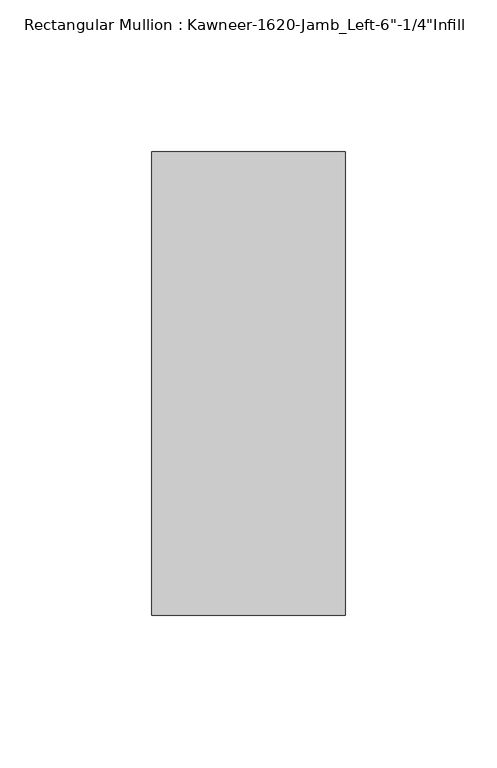
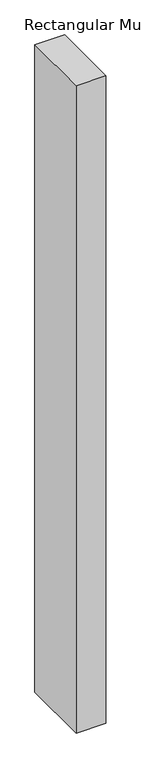
"""IFC4 building model written with IfcOpenShell, lengths in millimetres: member geometry."""

from ifc_helpers import new_model, si_unit, frame, origin, place, context, project, spatial, polyline, outline, extrude, source, transform, mapped, element, save


def member_8166af2d(model_context):
    return source(origin(), model_context, "Body", "SweptSolid", [
        extrude(outline(polyline([(-63.5, 28.575), (0.0, 28.575), (0.0, -123.825), (-63.5, -123.825), (-63.5, 28.575)])), frame((0.0, 0.0, -1460.5), z_axis=(0.0, 0.0, 1.0), x_axis=(1.0, 0.0, 0.0)), (0.0, 0.0, 1.0), 1460.5),
    ])


if __name__ == "__main__":
    model = new_model("IFC4")
    model_context = context("Model", 3, world=origin())
    ifc_project = project(units=[si_unit("LENGTHUNIT", "METRE", prefix="MILLI")], contexts=[model_context])
    site = spatial("IfcSite", under=ifc_project)
    building = spatial("IfcBuilding", under=site)
    placement = place(None, origin())
    member_shape = member_8166af2d(model_context)
    element("IfcMember", 1, ObjectType="Rectangular Mullion : Kawneer-1620-Jamb_Left-6\"-1/4\"Infill", at=placement, inside=building, context=model_context, shape_type="MappedRepresentation", body=[
        mapped(member_shape, transform((0.0, 0.0, 0.0), x_axis=(1.0, 0.0, 0.0), y_axis=(0.0, 1.0, 0.0), z_axis=(0.0, 0.0, 1.0))),
    ])
    save(model, "model.ifc")
